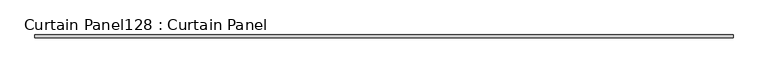
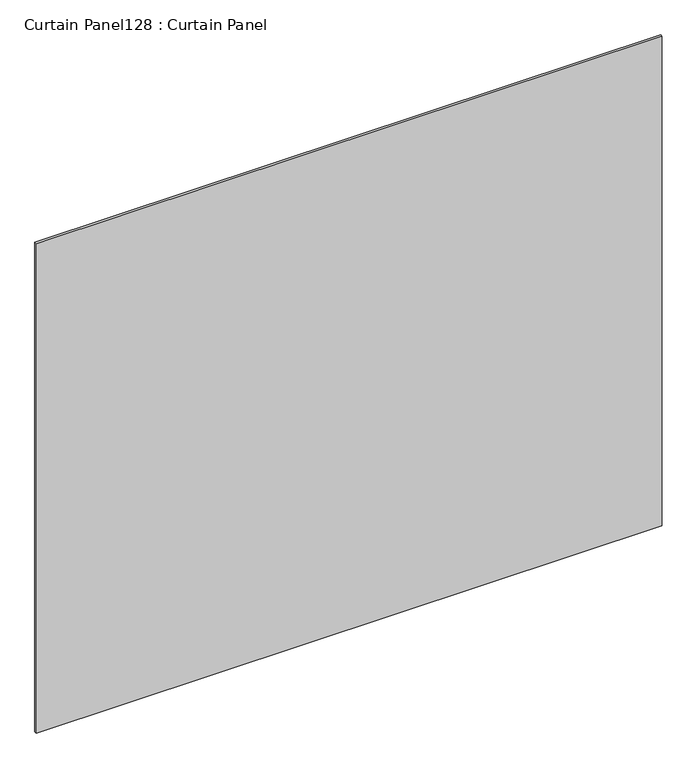
"""IFC4 building model written with IfcOpenShell, lengths in millimetres: plate geometry, Curtain Panel128 : Curtain Panel."""

import ifcopenshell
import ifcopenshell.guid

model = None  # the IFC model being written
_history = None  # IfcOwnerHistory: only IFC2X3 demands one
_inside = {}  # id of a spatial element -> (the spatial element, [elements in it])
_under = {}  # id of a project, library or spatial element -> (it, [spatial elements below it])
_declared = {}  # id of a project -> (the project, [libraries it declares])
_typed = {}  # id of a type object -> (the type object, [elements of that type])
_made_of = {}  # id of a material, layer set ... -> (it, [elements and type objects made of it])


def new_model(schema):
    """Start an empty IFC model of exactly this schema.

    Asked for "IFC4X3", IfcOpenShell would pick the latest addendum, in which some entities
    have other attributes; the version numbers below select the first issue.
    IFC2X3 requires an IfcOwnerHistory on every rooted entity: one is made here for all.
    """
    global model, _history
    if schema == "IFC4X3":
        model = ifcopenshell.file(schema_version=(4, 3, 0, 0))
    else:
        model = ifcopenshell.file(schema=schema)
    _inside.clear()
    _under.clear()
    _declared.clear()
    _typed.clear()
    _made_of.clear()
    _history = None
    if model.schema == "IFC2X3":
        org = make("IfcOrganization", Name="unknown")
        user = make(
            "IfcPersonAndOrganization",
            ThePerson=make("IfcPerson", FamilyName="unknown"),
            TheOrganization=org,
        )
        app = make(
            "IfcApplication",
            ApplicationDeveloper=org,
            Version="unknown",
            ApplicationFullName="unknown",
            ApplicationIdentifier="unknown",
        )
        _history = make(
            "IfcOwnerHistory",
            OwningUser=user,
            OwningApplication=app,
            ChangeAction="ADDED",
            CreationDate=0,
        )
    return model


def make(cls, **values):
    """One entity of the class cls with the attributes given. An attribute that is None is left unset."""
    return model.create_entity(
        cls, **{name: value for name, value in values.items() if value is not None}
    )


def rooted(cls, **values):
    """An entity with a GlobalId (a new one), such as an element, a storey or a relation."""
    return make(cls, GlobalId=ifcopenshell.guid.new(), OwnerHistory=_history, **values)


def si_unit(unit_type, name, prefix=None):
    """IfcSIUnit, for example si_unit("LENGTHUNIT", "METRE", prefix="MILLI")."""
    return make("IfcSIUnit", UnitType=unit_type, Prefix=prefix, Name=name)


def assignment(units):
    """IfcUnitAssignment: the units of a project."""
    return None if units is None else make("IfcUnitAssignment", Units=units)


def point(xyz):
    """IfcCartesianPoint."""
    return None if xyz is None else make("IfcCartesianPoint", Coordinates=xyz)


def direction(xyz):
    """IfcDirection."""
    return None if xyz is None else make("IfcDirection", DirectionRatios=xyz)


def frame(location, z_axis=None, x_axis=None):
    """IfcAxis2Placement3D, a coordinate frame: its origin and axes. An axis left out is left unset."""
    return make(
        "IfcAxis2Placement3D",
        Location=point(location),
        Axis=direction(z_axis),
        RefDirection=direction(x_axis),
    )


def origin():
    """The frame at (0, 0, 0) with its axes left unset."""
    return frame((0.0, 0.0, 0.0))


def place(relative_to, where):
    """IfcLocalPlacement: puts the frame where relative to a parent placement (None: the world)."""
    return make(
        "IfcLocalPlacement", PlacementRelTo=relative_to, RelativePlacement=where
    )


def context(
    kind, dimensions, precision=None, world=None, true_north=None, identifier=None
):
    """IfcGeometricRepresentationContext, for example the 3D "Model" context."""
    return make(
        "IfcGeometricRepresentationContext",
        ContextIdentifier=identifier,
        ContextType=kind,
        CoordinateSpaceDimension=dimensions,
        Precision=precision,
        WorldCoordinateSystem=world,
        TrueNorth=true_north,
    )


def project(units=None, contexts=None):
    """IfcProject with its units and contexts."""
    return rooted(
        "IfcProject",
        Name="project",
        RepresentationContexts=contexts,
        UnitsInContext=assignment(units),
    )


def spatial(cls, under=None, at=None, **own):
    """A site, building, storey or space (cls), placed at a placement, below another one or the project."""
    s = rooted(cls, ObjectPlacement=at, **own)
    if under is not None:
        _under.setdefault(under.id(), (under, []))[1].append(s)
    return s


def polyline(points):
    """IfcPolyline through the points."""
    return make("IfcPolyline", Points=[point(p) for p in points])


def outline(outer, holes=None, kind="AREA"):
    """IfcArbitraryClosedProfileDef: a profile drawn as a closed curve; with holes, ...WithVoids."""
    if holes is None:
        return make("IfcArbitraryClosedProfileDef", ProfileType=kind, OuterCurve=outer)
    return make(
        "IfcArbitraryProfileDefWithVoids",
        ProfileType=kind,
        OuterCurve=outer,
        InnerCurves=holes,
    )


def extrude(swept, where, along, depth):
    """IfcExtrudedAreaSolid: the profile swept, set in the frame where, extruded along a direction by depth."""
    return make(
        "IfcExtrudedAreaSolid",
        SweptArea=swept,
        Position=where,
        ExtrudedDirection=direction(along),
        Depth=depth,
    )


def shape(context_of_items, identifier, shape_type, items):
    """IfcShapeRepresentation: the items that make up one representation, for example the "Body"."""
    return make(
        "IfcShapeRepresentation",
        ContextOfItems=context_of_items,
        RepresentationIdentifier=identifier,
        RepresentationType=shape_type,
        Items=items,
    )


def source(mapping_origin, context_of_items, identifier, shape_type, items):
    """IfcRepresentationMap: a shape defined once, which mapped items show again and again."""
    return make(
        "IfcRepresentationMap",
        MappingOrigin=mapping_origin,
        MappedRepresentation=shape(context_of_items, identifier, shape_type, items),
    )


def transform(
    local_origin,
    x_axis=None,
    y_axis=None,
    z_axis=None,
    scale=None,
    scale2=None,
    scale3=None,
    uniform=True,
):
    """IfcCartesianTransformationOperator3D, or its non-uniform kind. x_axis, y_axis, z_axis: its Axis1, 2, 3."""
    if uniform:
        return make(
            "IfcCartesianTransformationOperator3D",
            Axis1=direction(x_axis),
            Axis2=direction(y_axis),
            LocalOrigin=point(local_origin),
            Scale=scale,
            Axis3=direction(z_axis),
        )
    return make(
        "IfcCartesianTransformationOperator3DnonUniform",
        Axis1=direction(x_axis),
        Axis2=direction(y_axis),
        LocalOrigin=point(local_origin),
        Scale=scale,
        Axis3=direction(z_axis),
        Scale2=scale2,
        Scale3=scale3,
    )


def mapped(mapping_source, mapping_target):
    """IfcMappedItem: shows the shape of a source again, moved by a transform."""
    return make(
        "IfcMappedItem", MappingSource=mapping_source, MappingTarget=mapping_target
    )


def made_of(thing, what):
    """Note that an element or type object is made of a material, layer set ...; save() writes the relation."""
    if what is not None:
        _made_of.setdefault(what.id(), (what, []))[1].append(thing)
    return thing


def element(
    cls,
    number,
    at=None,
    inside=None,
    cuts=None,
    type_object=None,
    material=None,
    context=None,
    identifier="Body",
    shape_type=None,
    held_by="IfcProductDefinitionShape",
    body=None,
    shapes=None,
    **own,
):
    """One element of the class cls, such as IfcWall. Its Tag is "e" and its number.

    at: its placement. inside: the storey or other place that contains it. cuts: it is an
    opening in that element (IfcRelVoidsElement). A single representation is given by context,
    identifier, shape_type and body (its items); several are given by shapes. held_by: the class
    of the entity that holds the representations. save() writes the other relations.
    """
    e = rooted(cls, Tag="e%d" % number, ObjectPlacement=at, **own)
    if body is not None:
        shapes = [shape(context, identifier, shape_type, body)]
    if shapes is not None:
        e.Representation = make(held_by, Representations=shapes)
    if inside is not None:
        _inside.setdefault(inside.id(), (inside, []))[1].append(e)
    if cuts is not None:
        rooted(
            "IfcRelVoidsElement", RelatingBuildingElement=cuts, RelatedOpeningElement=e
        )
    if type_object is not None:
        _typed.setdefault(type_object.id(), (type_object, []))[1].append(e)
    return made_of(e, material)


def aggregate(whole, parts):
    """IfcRelAggregates: a whole, such as a stair, and the parts it consists of."""
    return rooted("IfcRelAggregates", RelatingObject=whole, RelatedObjects=parts)


def save(model, path):
    """Write the relations noted so far, then the file.

    IfcRelAggregates (storeys below a building ...), IfcRelContainedInSpatialStructure (elements
    in a storey), IfcRelDefinesByType, IfcRelAssociatesMaterial and IfcRelDeclares: one each for
    every whole, place, type object, material and project.
    """
    for whole, parts in _under.values():
        aggregate(whole, parts)
    for where, things in _inside.values():
        rooted(
            "IfcRelContainedInSpatialStructure",
            RelatedElements=things,
            RelatingStructure=where,
        )
    for kind, things in _typed.values():
        rooted("IfcRelDefinesByType", RelatedObjects=things, RelatingType=kind)
    for what, things in _made_of.values():
        rooted("IfcRelAssociatesMaterial", RelatedObjects=things, RelatingMaterial=what)
    for by, libraries in _declared.values():
        rooted("IfcRelDeclares", RelatingContext=by, RelatedDefinitions=libraries)
    model.write(path)


def curtain_panel128_curtain_panel_b1b36941(model_context):
    return source(origin(), model_context, "Body", "SweptSolid", [
        extrude(outline(polyline([(288028.1063541, 2427.1484836), (286351.7063541, 2427.1484836), (286351.7063541, 2433.4984836), (288028.1063541, 2433.4984836), (288028.1063541, 2427.1484836)])), frame((0.0, 0.0, 4914.2249337), z_axis=(0.0, 0.0, 1.0), x_axis=(1.0, 0.0, 0.0)), (0.0, 0.0, 1.0), 1385.48277),
    ])


if __name__ == "__main__":
    model = new_model("IFC4")
    model_context = context("Model", 3, world=origin())
    ifc_project = project(units=[si_unit("LENGTHUNIT", "METRE", prefix="MILLI")], contexts=[model_context])
    site = spatial("IfcSite", under=ifc_project)
    building = spatial("IfcBuilding", under=site)
    placement = place(None, origin())
    curtain_panel128_curtain_panel_shape = curtain_panel128_curtain_panel_b1b36941(model_context)
    element("IfcPlate", 1, ObjectType="Curtain Panel128 : Curtain Panel", at=placement, inside=building, context=model_context, shape_type="MappedRepresentation", body=[
        mapped(curtain_panel128_curtain_panel_shape, transform((0.0, 0.0, 0.0), x_axis=(1.0, 0.0, 0.0), y_axis=(0.0, 1.0, 0.0), z_axis=(0.0, 0.0, 1.0))),
    ])
    save(model, "model.ifc")
